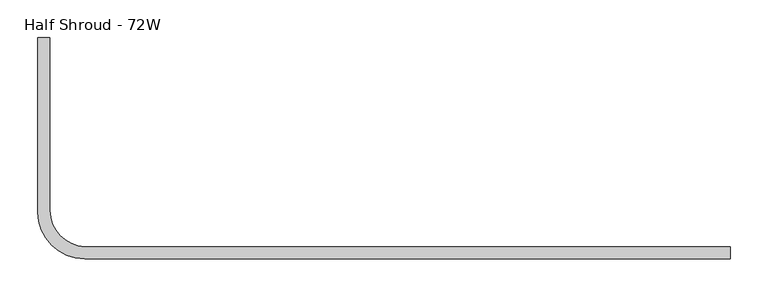
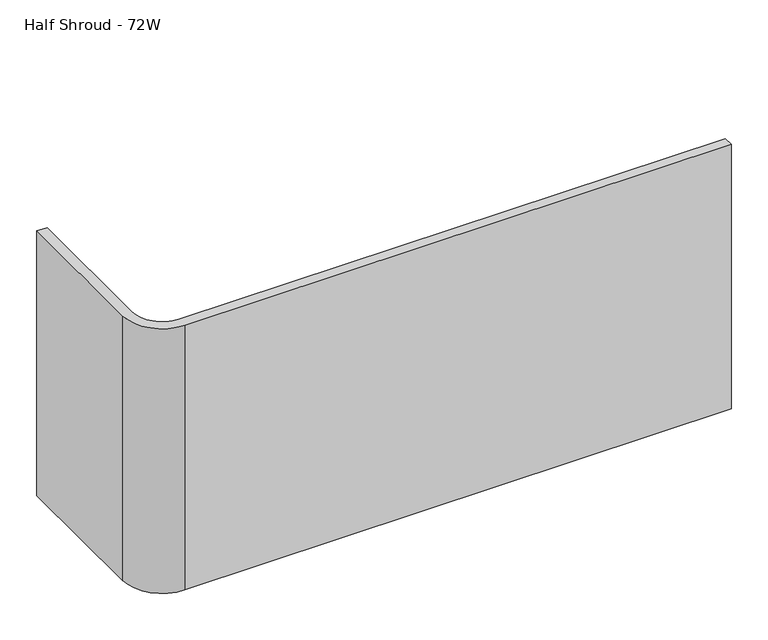
"""IFC4 building model written with IfcOpenShell, lengths in millimetres: furniture geometry, Half Shroud - 72W."""

from ifc_helpers import new_model, si_unit, point, frame, frame_2d, origin, place, context, project, spatial, polyline, circle_curve, trimmed, segment, composite_curve, outline, extrude, source, transform, mapped, element, save


def half_shroud_72w_afe970b4(model_context):
    return source(origin(), model_context, "Body", "SweptSolid", [
        extrude(outline(composite_curve([segment(polyline([(0.0, 58.2395876), (0.0, 288.9196021), (15.8814378, 288.9196021), (15.8814378, 60.5073273)]), True, "CONTINUOUS"), segment(trimmed(circle_curve(frame_2d((63.9194296, 60.5073273)), 48.0379918), [point((15.8814378, 60.5073273))], [point((61.7220002, 12.519621))], True, "CARTESIAN"), True, "CONTINUOUS"), segment(polyline([(61.7220002, 12.519621), (914.4, 12.519621), (914.4, -3.4823819), (61.7219696, -3.4823819)]), True, "CONTINUOUS"), segment(trimmed(circle_curve(frame_2d((61.7219696, 58.2395876)), 61.7219696), [point((61.7219696, -3.4823819))], [point((0.0, 58.2395876))], False, "CARTESIAN"), True, "CONTINUOUS")], self_intersect=False)), frame((0.0, 0.0, 605.082423), z_axis=(0.0, 0.0, 1.0), x_axis=(1.0, 0.0, 0.0)), (0.0, 0.0, 1.0), 436.5085421),
    ])


if __name__ == "__main__":
    model = new_model("IFC4")
    model_context = context("Model", 3, world=origin())
    ifc_project = project(units=[si_unit("LENGTHUNIT", "METRE", prefix="MILLI")], contexts=[model_context])
    site = spatial("IfcSite", under=ifc_project)
    building = spatial("IfcBuilding", under=site)
    placement = place(None, origin())
    half_shroud_72w_shape = half_shroud_72w_afe970b4(model_context)
    element("IfcFurniture", 1, ObjectType="Half Shroud - 72W", at=placement, inside=building, context=model_context, shape_type="MappedRepresentation", body=[
        mapped(half_shroud_72w_shape, transform((0.0, 0.0, 0.0), x_axis=(1.0, 0.0, 0.0), y_axis=(0.0, 1.0, 0.0), z_axis=(0.0, 0.0, 1.0))),
    ])
    save(model, "model.ifc")
